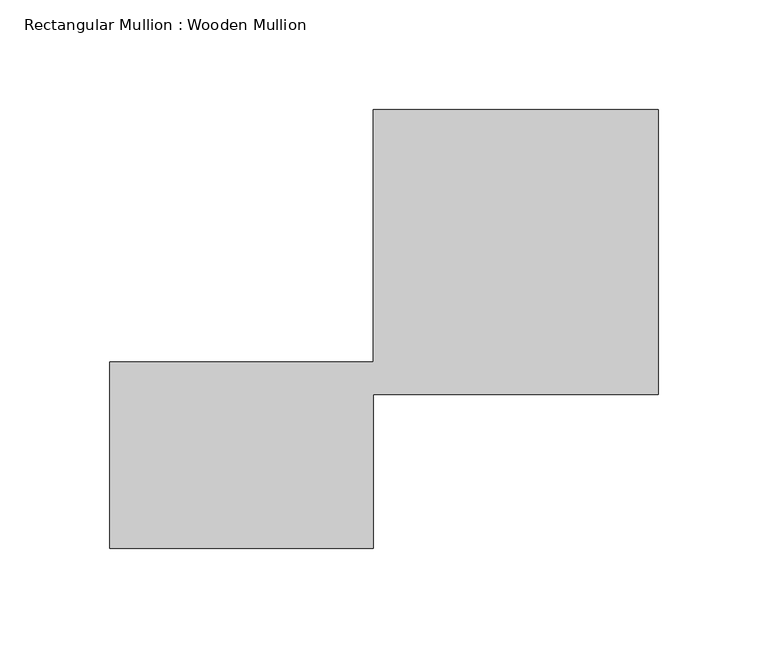
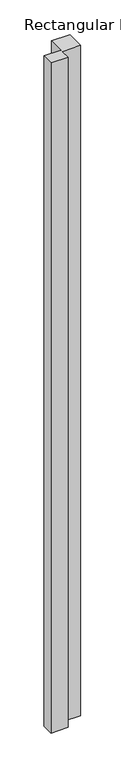
"""IFC4 building model written with IfcOpenShell, lengths in millimetres: member geometry, Rectangular Mullion : Wooden Mullion."""

from ifc_helpers import new_model, si_unit, frame, origin, place, context, project, spatial, polyline, outline, extrude, source, transform, mapped, element, save


def rectangular_mullion_wooden_mullion_57c20b71(model_context):
    return source(origin(), model_context, "Body", "SweptSolid", [
        extrude(outline(polyline([(74.8100006, -26.0137344), (-45.1899994, -26.0137344), (-45.1899994, 58.9862656), (74.8100006, 58.9862656), (74.8100006, 173.9862656), (204.8100006, 173.9862656), (204.8100006, 43.9862656), (74.8100006, 43.9862656), (74.8100006, -26.0137344)])), frame((0.0, 0.0, -5022.8851725), z_axis=(0.0, 0.0, 1.0), x_axis=(1.0, 0.0, 0.0)), (0.0, 0.0, 1.0), 5022.8851725),
    ])


if __name__ == "__main__":
    model = new_model("IFC4")
    model_context = context("Model", 3, world=origin())
    ifc_project = project(units=[si_unit("LENGTHUNIT", "METRE", prefix="MILLI")], contexts=[model_context])
    site = spatial("IfcSite", under=ifc_project)
    building = spatial("IfcBuilding", under=site)
    placement = place(None, origin())
    rectangular_mullion_wooden_mullion_shape = rectangular_mullion_wooden_mullion_57c20b71(model_context)
    element("IfcMember", 1, ObjectType="Rectangular Mullion : Wooden Mullion", at=placement, inside=building, context=model_context, shape_type="MappedRepresentation", body=[
        mapped(rectangular_mullion_wooden_mullion_shape, transform((0.0, 0.0, 0.0), x_axis=(1.0, 0.0, 0.0), y_axis=(0.0, 1.0, 0.0), z_axis=(0.0, 0.0, 1.0))),
    ])
    save(model, "model.ifc")
